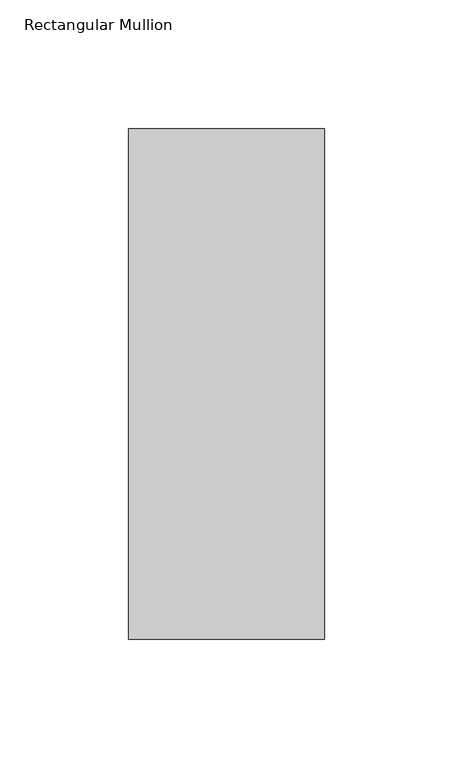
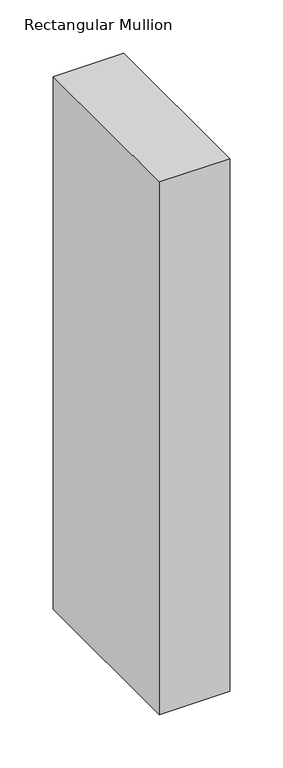
"""IFC4 building model written with IfcOpenShell, lengths in millimetres: member geometry, Rectangular Mullion."""

import ifcopenshell
import ifcopenshell.guid

model = None  # the IFC model being written
_history = None  # IfcOwnerHistory: only IFC2X3 demands one
_inside = {}  # id of a spatial element -> (the spatial element, [elements in it])
_under = {}  # id of a project, library or spatial element -> (it, [spatial elements below it])
_declared = {}  # id of a project -> (the project, [libraries it declares])
_typed = {}  # id of a type object -> (the type object, [elements of that type])
_made_of = {}  # id of a material, layer set ... -> (it, [elements and type objects made of it])


def new_model(schema):
    """Start an empty IFC model of exactly this schema.

    Asked for "IFC4X3", IfcOpenShell would pick the latest addendum, in which some entities
    have other attributes; the version numbers below select the first issue.
    IFC2X3 requires an IfcOwnerHistory on every rooted entity: one is made here for all.
    """
    global model, _history
    if schema == "IFC4X3":
        model = ifcopenshell.file(schema_version=(4, 3, 0, 0))
    else:
        model = ifcopenshell.file(schema=schema)
    _inside.clear()
    _under.clear()
    _declared.clear()
    _typed.clear()
    _made_of.clear()
    _history = None
    if model.schema == "IFC2X3":
        org = make("IfcOrganization", Name="unknown")
        user = make(
            "IfcPersonAndOrganization",
            ThePerson=make("IfcPerson", FamilyName="unknown"),
            TheOrganization=org,
        )
        app = make(
            "IfcApplication",
            ApplicationDeveloper=org,
            Version="unknown",
            ApplicationFullName="unknown",
            ApplicationIdentifier="unknown",
        )
        _history = make(
            "IfcOwnerHistory",
            OwningUser=user,
            OwningApplication=app,
            ChangeAction="ADDED",
            CreationDate=0,
        )
    return model


def make(cls, **values):
    """One entity of the class cls with the attributes given. An attribute that is None is left unset."""
    return model.create_entity(
        cls, **{name: value for name, value in values.items() if value is not None}
    )


def rooted(cls, **values):
    """An entity with a GlobalId (a new one), such as an element, a storey or a relation."""
    return make(cls, GlobalId=ifcopenshell.guid.new(), OwnerHistory=_history, **values)


def si_unit(unit_type, name, prefix=None):
    """IfcSIUnit, for example si_unit("LENGTHUNIT", "METRE", prefix="MILLI")."""
    return make("IfcSIUnit", UnitType=unit_type, Prefix=prefix, Name=name)


def assignment(units):
    """IfcUnitAssignment: the units of a project."""
    return None if units is None else make("IfcUnitAssignment", Units=units)


def point(xyz):
    """IfcCartesianPoint."""
    return None if xyz is None else make("IfcCartesianPoint", Coordinates=xyz)


def direction(xyz):
    """IfcDirection."""
    return None if xyz is None else make("IfcDirection", DirectionRatios=xyz)


def frame(location, z_axis=None, x_axis=None):
    """IfcAxis2Placement3D, a coordinate frame: its origin and axes. An axis left out is left unset."""
    return make(
        "IfcAxis2Placement3D",
        Location=point(location),
        Axis=direction(z_axis),
        RefDirection=direction(x_axis),
    )


def origin():
    """The frame at (0, 0, 0) with its axes left unset."""
    return frame((0.0, 0.0, 0.0))


def place(relative_to, where):
    """IfcLocalPlacement: puts the frame where relative to a parent placement (None: the world)."""
    return make(
        "IfcLocalPlacement", PlacementRelTo=relative_to, RelativePlacement=where
    )


def context(
    kind, dimensions, precision=None, world=None, true_north=None, identifier=None
):
    """IfcGeometricRepresentationContext, for example the 3D "Model" context."""
    return make(
        "IfcGeometricRepresentationContext",
        ContextIdentifier=identifier,
        ContextType=kind,
        CoordinateSpaceDimension=dimensions,
        Precision=precision,
        WorldCoordinateSystem=world,
        TrueNorth=true_north,
    )


def project(units=None, contexts=None):
    """IfcProject with its units and contexts."""
    return rooted(
        "IfcProject",
        Name="project",
        RepresentationContexts=contexts,
        UnitsInContext=assignment(units),
    )


def spatial(cls, under=None, at=None, **own):
    """A site, building, storey or space (cls), placed at a placement, below another one or the project."""
    s = rooted(cls, ObjectPlacement=at, **own)
    if under is not None:
        _under.setdefault(under.id(), (under, []))[1].append(s)
    return s


def polyline(points):
    """IfcPolyline through the points."""
    return make("IfcPolyline", Points=[point(p) for p in points])


def outline(outer, holes=None, kind="AREA"):
    """IfcArbitraryClosedProfileDef: a profile drawn as a closed curve; with holes, ...WithVoids."""
    if holes is None:
        return make("IfcArbitraryClosedProfileDef", ProfileType=kind, OuterCurve=outer)
    return make(
        "IfcArbitraryProfileDefWithVoids",
        ProfileType=kind,
        OuterCurve=outer,
        InnerCurves=holes,
    )


def extrude(swept, where, along, depth):
    """IfcExtrudedAreaSolid: the profile swept, set in the frame where, extruded along a direction by depth."""
    return make(
        "IfcExtrudedAreaSolid",
        SweptArea=swept,
        Position=where,
        ExtrudedDirection=direction(along),
        Depth=depth,
    )


def shape(context_of_items, identifier, shape_type, items):
    """IfcShapeRepresentation: the items that make up one representation, for example the "Body"."""
    return make(
        "IfcShapeRepresentation",
        ContextOfItems=context_of_items,
        RepresentationIdentifier=identifier,
        RepresentationType=shape_type,
        Items=items,
    )


def source(mapping_origin, context_of_items, identifier, shape_type, items):
    """IfcRepresentationMap: a shape defined once, which mapped items show again and again."""
    return make(
        "IfcRepresentationMap",
        MappingOrigin=mapping_origin,
        MappedRepresentation=shape(context_of_items, identifier, shape_type, items),
    )


def transform(
    local_origin,
    x_axis=None,
    y_axis=None,
    z_axis=None,
    scale=None,
    scale2=None,
    scale3=None,
    uniform=True,
):
    """IfcCartesianTransformationOperator3D, or its non-uniform kind. x_axis, y_axis, z_axis: its Axis1, 2, 3."""
    if uniform:
        return make(
            "IfcCartesianTransformationOperator3D",
            Axis1=direction(x_axis),
            Axis2=direction(y_axis),
            LocalOrigin=point(local_origin),
            Scale=scale,
            Axis3=direction(z_axis),
        )
    return make(
        "IfcCartesianTransformationOperator3DnonUniform",
        Axis1=direction(x_axis),
        Axis2=direction(y_axis),
        LocalOrigin=point(local_origin),
        Scale=scale,
        Axis3=direction(z_axis),
        Scale2=scale2,
        Scale3=scale3,
    )


def mapped(mapping_source, mapping_target):
    """IfcMappedItem: shows the shape of a source again, moved by a transform."""
    return make(
        "IfcMappedItem", MappingSource=mapping_source, MappingTarget=mapping_target
    )


def made_of(thing, what):
    """Note that an element or type object is made of a material, layer set ...; save() writes the relation."""
    if what is not None:
        _made_of.setdefault(what.id(), (what, []))[1].append(thing)
    return thing


def element(
    cls,
    number,
    at=None,
    inside=None,
    cuts=None,
    type_object=None,
    material=None,
    context=None,
    identifier="Body",
    shape_type=None,
    held_by="IfcProductDefinitionShape",
    body=None,
    shapes=None,
    **own,
):
    """One element of the class cls, such as IfcWall. Its Tag is "e" and its number.

    at: its placement. inside: the storey or other place that contains it. cuts: it is an
    opening in that element (IfcRelVoidsElement). A single representation is given by context,
    identifier, shape_type and body (its items); several are given by shapes. held_by: the class
    of the entity that holds the representations. save() writes the other relations.
    """
    e = rooted(cls, Tag="e%d" % number, ObjectPlacement=at, **own)
    if body is not None:
        shapes = [shape(context, identifier, shape_type, body)]
    if shapes is not None:
        e.Representation = make(held_by, Representations=shapes)
    if inside is not None:
        _inside.setdefault(inside.id(), (inside, []))[1].append(e)
    if cuts is not None:
        rooted(
            "IfcRelVoidsElement", RelatingBuildingElement=cuts, RelatedOpeningElement=e
        )
    if type_object is not None:
        _typed.setdefault(type_object.id(), (type_object, []))[1].append(e)
    return made_of(e, material)


def aggregate(whole, parts):
    """IfcRelAggregates: a whole, such as a stair, and the parts it consists of."""
    return rooted("IfcRelAggregates", RelatingObject=whole, RelatedObjects=parts)


def save(model, path):
    """Write the relations noted so far, then the file.

    IfcRelAggregates (storeys below a building ...), IfcRelContainedInSpatialStructure (elements
    in a storey), IfcRelDefinesByType, IfcRelAssociatesMaterial and IfcRelDeclares: one each for
    every whole, place, type object, material and project.
    """
    for whole, parts in _under.values():
        aggregate(whole, parts)
    for where, things in _inside.values():
        rooted(
            "IfcRelContainedInSpatialStructure",
            RelatedElements=things,
            RelatingStructure=where,
        )
    for kind, things in _typed.values():
        rooted("IfcRelDefinesByType", RelatedObjects=things, RelatingType=kind)
    for what, things in _made_of.values():
        rooted("IfcRelAssociatesMaterial", RelatedObjects=things, RelatingMaterial=what)
    for by, libraries in _declared.values():
        rooted("IfcRelDeclares", RelatingContext=by, RelatedDefinitions=libraries)
    model.write(path)


def rectangular_mullion_51ae461d(model_context):
    return source(origin(), model_context, "Body", "SweptSolid", [
        extrude(outline(polyline([(38.1, -156.36875), (-38.1, -156.36875), (-38.1, 42.06875), (38.1, 42.06875), (38.1, -156.36875)])), frame((0.0, 0.0, -609.6), z_axis=(0.0, 0.0, 1.0), x_axis=(1.0, 0.0, 0.0)), (0.0, 0.0, 1.0), 609.6),
    ])


if __name__ == "__main__":
    model = new_model("IFC4")
    model_context = context("Model", 3, world=origin())
    ifc_project = project(units=[si_unit("LENGTHUNIT", "METRE", prefix="MILLI")], contexts=[model_context])
    site = spatial("IfcSite", under=ifc_project)
    building = spatial("IfcBuilding", under=site)
    placement = place(None, origin())
    rectangular_mullion_shape = rectangular_mullion_51ae461d(model_context)
    element("IfcMember", 1, ObjectType="Rectangular Mullion", at=placement, inside=building, context=model_context, shape_type="MappedRepresentation", body=[
        mapped(rectangular_mullion_shape, transform((0.0, 0.0, 0.0), x_axis=(1.0, 0.0, 0.0), y_axis=(0.0, 1.0, 0.0), z_axis=(0.0, 0.0, 1.0))),
    ])
    save(model, "model.ifc")
